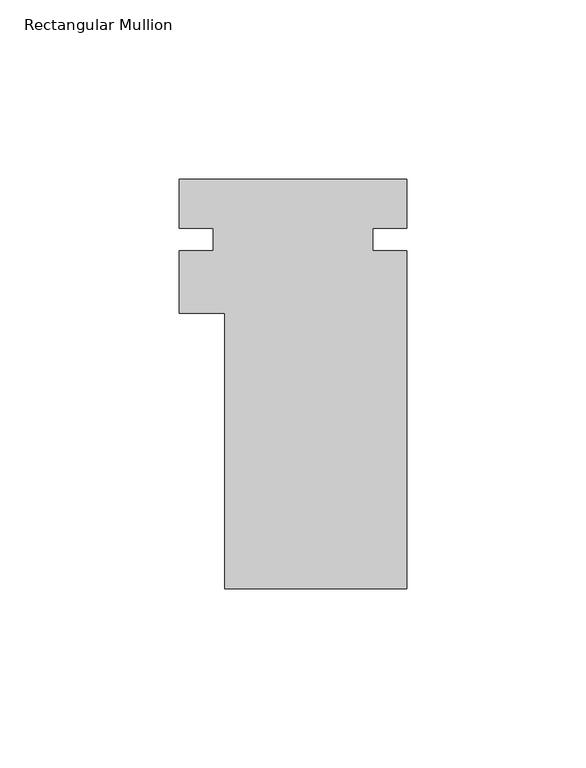
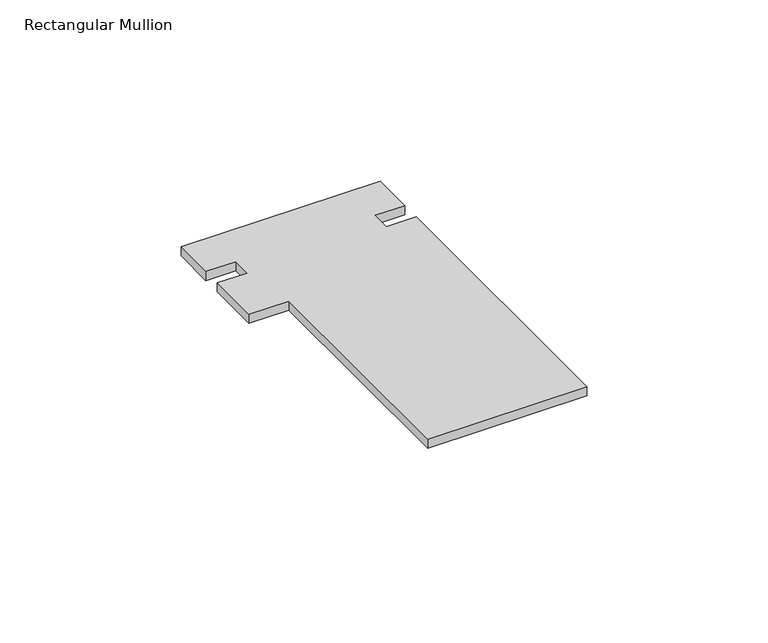
"""IFC4 building model written with IfcOpenShell, lengths in millimetres: member geometry, Rectangular Mullion."""

from ifc_helpers import new_model, si_unit, frame, origin, place, context, project, spatial, polyline, outline, extrude, source, transform, mapped, element, save


def rectangular_mullion_f46afb15(model_context):
    return source(origin(), model_context, "Body", "SweptSolid", [
        extrude(outline(polyline([(25.4, -39.773225), (-25.4, -39.773225), (-25.4, 37.061775), (-38.0999959, 37.061775), (-38.0999959, 54.524275), (-28.5749959, 54.524275), (-28.5749959, 60.874275), (-38.0999959, 60.874275), (-38.0999959, 74.526775), (25.4, 74.526775), (25.4, 60.874275), (15.875, 60.874275), (15.875, 54.524275), (25.4, 54.524275), (25.4, -39.773225)])), frame((0.0, 0.0, -3.0555957), z_axis=(0.0, 0.0, 1.0), x_axis=(1.0, 0.0, 0.0)), (0.0, 0.0, 1.0), 3.0555957),
    ])


if __name__ == "__main__":
    model = new_model("IFC4")
    model_context = context("Model", 3, world=origin())
    ifc_project = project(units=[si_unit("LENGTHUNIT", "METRE", prefix="MILLI")], contexts=[model_context])
    site = spatial("IfcSite", under=ifc_project)
    building = spatial("IfcBuilding", under=site)
    placement = place(None, origin())
    rectangular_mullion_shape = rectangular_mullion_f46afb15(model_context)
    element("IfcMember", 1, ObjectType="Rectangular Mullion", at=placement, inside=building, context=model_context, shape_type="MappedRepresentation", body=[
        mapped(rectangular_mullion_shape, transform((0.0, 0.0, 0.0), x_axis=(1.0, 0.0, 0.0), y_axis=(0.0, 1.0, 0.0), z_axis=(0.0, 0.0, 1.0))),
    ])
    save(model, "model.ifc")
